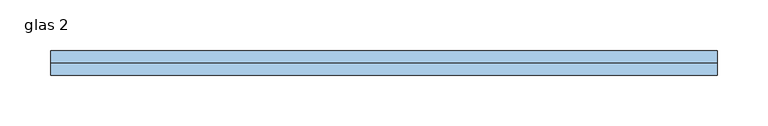
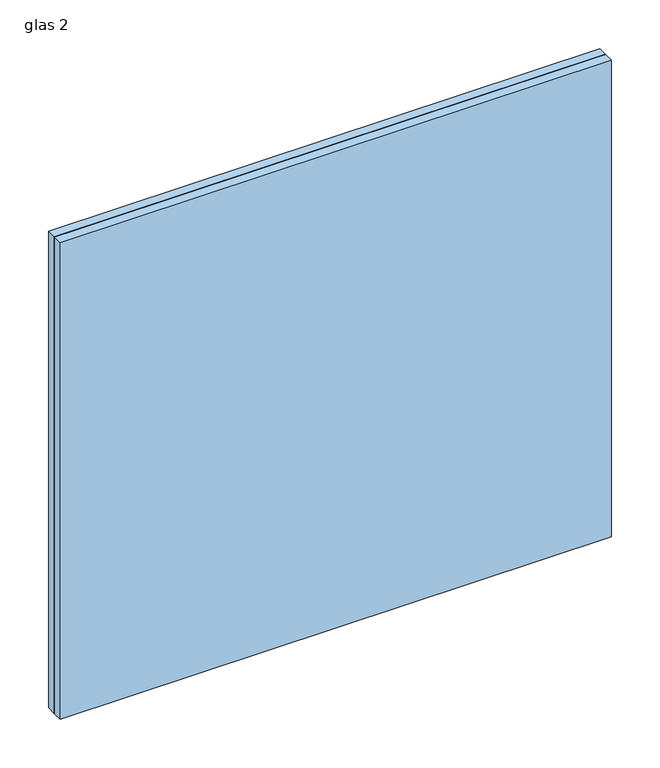
"""IFC4 building model written with IfcOpenShell, lengths in millimetres: window geometry, glas 2."""

from ifc_helpers import new_model, si_unit, origin, origin_with_axes, place, context, project, spatial, polyline, outline, extrude, source, transform, mapped, element, save


def glas_2_9b5264e4(model_context):
    return source(origin(), model_context, "Body", "SweptSolid", [
        extrude(outline(polyline([(-328.25, 12.0), (328.25, 12.0), (328.25, 0.0), (-328.25, 0.0), (-328.25, 12.0)])), origin_with_axes(), (0.0, 0.0, 1.0), 599.8333333),
        extrude(outline(polyline([(-328.25, 0.0), (328.25, 0.0), (328.25, -12.0), (-328.25, -12.0), (-328.25, 0.0)])), origin_with_axes(), (0.0, 0.0, 1.0), 599.8333333),
    ])


if __name__ == "__main__":
    model = new_model("IFC4")
    model_context = context("Model", 3, world=origin())
    ifc_project = project(units=[si_unit("LENGTHUNIT", "METRE", prefix="MILLI")], contexts=[model_context])
    site = spatial("IfcSite", under=ifc_project)
    building = spatial("IfcBuilding", under=site)
    placement = place(None, origin())
    glas_2_shape = glas_2_9b5264e4(model_context)
    element("IfcWindow", 1, ObjectType="glas 2", at=placement, inside=building, context=model_context, shape_type="MappedRepresentation", body=[
        mapped(glas_2_shape, transform((0.0, 0.0, 0.0), x_axis=(1.0, 0.0, 0.0), y_axis=(0.0, 1.0, 0.0), z_axis=(0.0, 0.0, 1.0))),
    ])
    save(model, "model.ifc")
